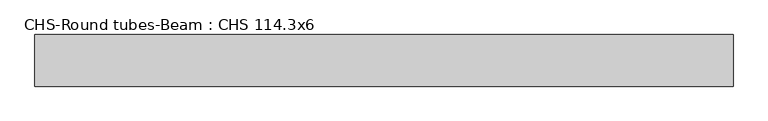
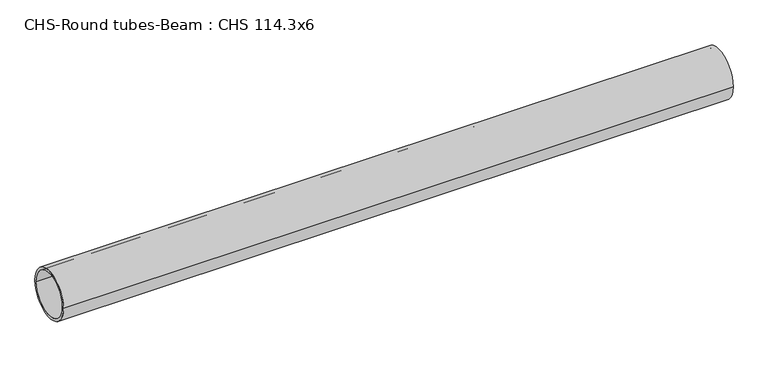
"""IFC4 building model written with IfcOpenShell, lengths in millimetres: beam geometry, CHS-Round tubes-Beam : CHS 114.3x6."""

from ifc_helpers import new_model, si_unit, point, frame, origin, origin_2d, place, context, project, spatial, circle_curve, trimmed, segment, composite_curve, outline, extrude, source, transform, mapped, element, save


def chs_round_tubes_beam_chs_114_3x6_4133bc5c(model_context):
    return source(origin(), model_context, "Body", "SweptSolid", [
        extrude(outline(composite_curve([segment(trimmed(circle_curve(origin_2d(), 57.15), [point((57.15, 0.0))], [point((-57.15, 0.0))], False, "CARTESIAN"), True, "CONTINUOUS"), segment(trimmed(circle_curve(origin_2d(), 57.15), [point((-57.15, 0.0))], [point((57.15, 0.0))], False, "CARTESIAN"), True, "CONTINUOUS")], self_intersect=False), holes=[composite_curve([segment(trimmed(circle_curve(origin_2d(), 51.15), [point((51.15, 0.0))], [point((-51.15, 0.0))], True, "CARTESIAN"), True, "CONTINUOUS"), segment(trimmed(circle_curve(origin_2d(), 51.15), [point((-51.15, 0.0))], [point((51.15, 0.0))], True, "CARTESIAN"), True, "CONTINUOUS")], self_intersect=False)]), frame((-785.7043428, 0.0, 0.0), z_axis=(1.0, 0.0, 0.0), x_axis=(0.0, 1.0, 0.0)), (0.0, 0.0, 1.0), 1546.2207708),
    ])


if __name__ == "__main__":
    model = new_model("IFC4")
    model_context = context("Model", 3, world=origin())
    ifc_project = project(units=[si_unit("LENGTHUNIT", "METRE", prefix="MILLI")], contexts=[model_context])
    site = spatial("IfcSite", under=ifc_project)
    building = spatial("IfcBuilding", under=site)
    placement = place(None, origin())
    chs_round_tubes_beam_chs_114_3x6_shape = chs_round_tubes_beam_chs_114_3x6_4133bc5c(model_context)
    element("IfcBeam", 1, ObjectType="CHS-Round tubes-Beam : CHS 114.3x6", at=placement, inside=building, context=model_context, shape_type="MappedRepresentation", body=[
        mapped(chs_round_tubes_beam_chs_114_3x6_shape, transform((0.0, 0.0, 0.0), x_axis=(1.0, 0.0, 0.0), y_axis=(0.0, 1.0, 0.0), z_axis=(0.0, 0.0, 1.0))),
    ])
    save(model, "model.ifc")
